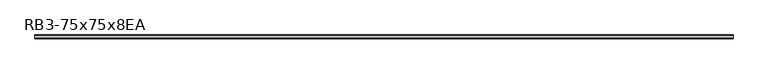
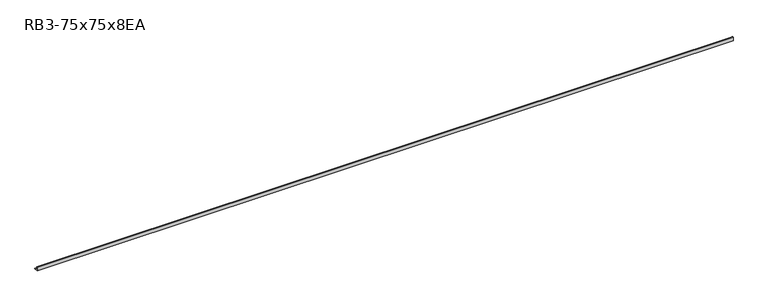
"""IFC4 building model written with IfcOpenShell, lengths in millimetres: member geometry, RB3-75x75x8EA."""

from ifc_helpers import new_model, si_unit, point, frame, frame_2d, origin, place, context, project, spatial, polyline, circle_curve, trimmed, segment, composite_curve, outline, extrude, source, transform, mapped, element, save


def rb3_75x75x8ea_50feb76c(model_context):
    return source(origin(), model_context, "Body", "SweptSolid", [
        extrude(outline(composite_curve([segment(polyline([(-21.3, -21.3), (-21.3, 53.7), (-18.3, 53.7)]), True, "CONTINUOUS"), segment(trimmed(circle_curve(frame_2d((-18.3, 48.7)), 5.0), [point((-18.3, 53.7))], [point((-13.3, 48.7))], False, "CARTESIAN"), True, "CONTINUOUS"), segment(polyline([(-13.3, 48.7), (-13.3, -5.3)]), True, "CONTINUOUS"), segment(trimmed(circle_curve(frame_2d((-5.3, -5.3)), 8.0), [point((-13.3, -5.3))], [point((-5.3, -13.3))], True, "CARTESIAN"), True, "CONTINUOUS"), segment(polyline([(-5.3, -13.3), (48.7, -13.3)]), True, "CONTINUOUS"), segment(trimmed(circle_curve(frame_2d((48.7, -18.3)), 5.0), [point((48.7, -13.3))], [point((53.7, -18.3))], False, "CARTESIAN"), True, "CONTINUOUS"), segment(polyline([(53.7, -18.3), (53.7, -21.3), (-21.3, -21.3)]), True, "CONTINUOUS")], self_intersect=False)), frame((-6841.5, 0.0, 0.0), z_axis=(1.0, 0.0, 0.0), x_axis=(0.0, 1.0, 0.0)), (0.0, 0.0, 1.0), 13650.0),
    ])


if __name__ == "__main__":
    model = new_model("IFC4")
    model_context = context("Model", 3, world=origin())
    ifc_project = project(units=[si_unit("LENGTHUNIT", "METRE", prefix="MILLI")], contexts=[model_context])
    site = spatial("IfcSite", under=ifc_project)
    building = spatial("IfcBuilding", under=site)
    placement = place(None, origin())
    rb3_75x75x8ea_shape = rb3_75x75x8ea_50feb76c(model_context)
    element("IfcMember", 1, ObjectType="RB3-75x75x8EA", at=placement, inside=building, context=model_context, shape_type="MappedRepresentation", body=[
        mapped(rb3_75x75x8ea_shape, transform((0.0, 0.0, 0.0), x_axis=(1.0, 0.0, 0.0), y_axis=(0.0, 1.0, 0.0), z_axis=(0.0, 0.0, 1.0))),
    ])
    save(model, "model.ifc")
